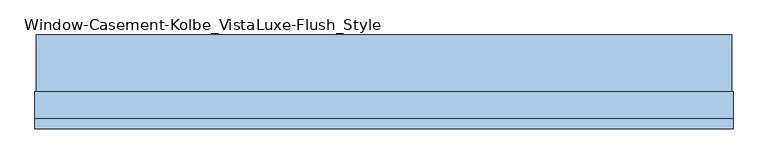
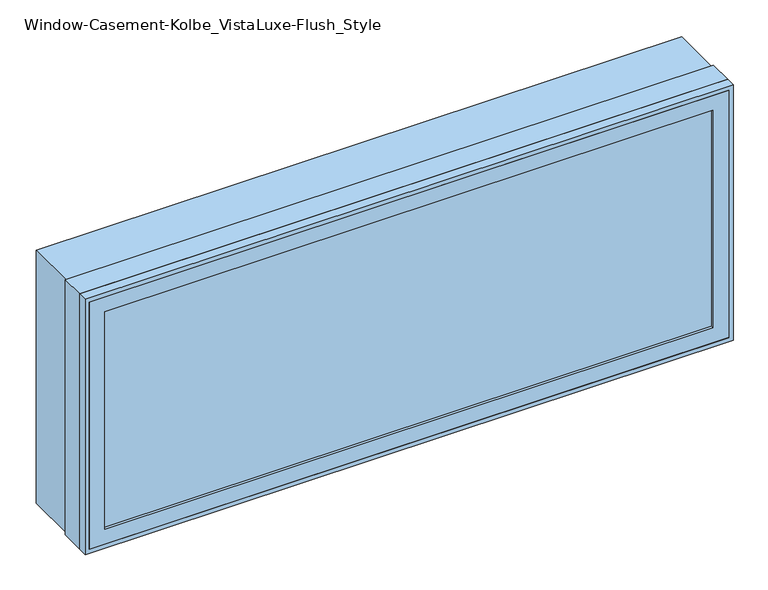
"""IFC4 building model written with IfcOpenShell, lengths in millimetres: window geometry, Window-Casement-Kolbe_VistaLuxe-Flush_Style."""

from ifc_helpers import new_model, si_unit, frame, origin, place, context, project, spatial, polyline, outline, extrude, faceted_brep, source, transform, mapped, element, save


def window_casement_kolbe_vistaluxe_flush_style_9f1340a3(model_context):
    return source(origin(), model_context, "Body", "SolidModel", [
        faceted_brep([(-863.6696599, -127.72898, 970.676875), (-863.6696599, -135.66648, 970.676875), (852.5765901, -135.66648, 970.676875), (852.5765901, -127.72898, 970.676875), (-879.5446599, -105.47858, 954.801875), (-879.5446599, -127.72898, 954.801875), (868.4515901, -127.72898, 954.801875), (868.4515901, -105.47858, 954.801875), (-863.6696599, -86.45398, 970.676875), (-863.6696599, -105.47858, 970.676875), (852.5765901, -105.47858, 970.676875), (852.5765901, -86.45398, 970.676875), (-908.1196599, -135.66648, 926.226875), (-908.1196599, -86.45398, 926.226875), (897.0265901, -86.45398, 926.226875), (897.0265901, -135.66648, 926.226875), (852.5765901, -135.66648, 1620.123125), (852.5765901, -127.72898, 1620.123125), (868.4515901, -127.72898, 1635.998125), (868.4515901, -105.47858, 1635.998125), (852.5765901, -105.47858, 1620.123125), (852.5765901, -86.45398, 1620.123125), (897.0265901, -86.45398, 1664.573125), (897.0265901, -135.66648, 1664.573125), (-863.6696599, -135.66648, 1620.123125), (-863.6696599, -127.72898, 1620.123125), (-879.5446599, -127.72898, 1635.998125), (-879.5446599, -105.47858, 1635.998125), (-863.6696599, -105.47858, 1620.123125), (-863.6696599, -86.45398, 1620.123125), (-908.1196599, -86.45398, 1664.573125), (-908.1196599, -135.66648, 1664.573125)], [[[0, 1, 2, 3]], [[4, 5, 6, 7]], [[8, 9, 10, 11]], [[12, 13, 14, 15]], [[3, 2, 16, 17]], [[7, 6, 18, 19]], [[11, 10, 20, 21]], [[15, 14, 22, 23]], [[17, 16, 24, 25]], [[19, 18, 26, 27]], [[21, 20, 28, 29]], [[23, 22, 30, 31]], [[25, 24, 1, 0]], [[5, 26, 18, 6], [3, 17, 25, 0]], [[27, 26, 5, 4]], [[7, 19, 27, 4], [9, 28, 20, 10]], [[29, 28, 9, 8]], [[13, 30, 22, 14], [11, 21, 29, 8]], [[31, 30, 13, 12]], [[15, 23, 31, 12], [1, 24, 16, 2]]]),
        extrude(outline(polyline([(1672.8186, 905.2720651), (1672.8186, -916.3651349), (917.9814, -916.3651349), (917.9814, 905.2720651), (1672.8186, 905.2720651)]), holes=[polyline([(936.545625, 886.7078401), (936.545625, -897.8009099), (1654.254375, -897.8009099), (1654.254375, 886.7078401), (936.545625, 886.7078401)])]), frame((0.0, -38.8747, 0.0), z_axis=(0.0, 1.0, 0.0), x_axis=(0.0, 0.0, 1.0)), (0.0, 0.0, 1.0), 148.4122),
        extrude(outline(polyline([(1676.4, -919.9465349), (914.4, -919.9465349), (914.4, 908.8534651), (1676.4, 908.8534651), (1676.4, -919.9465349)]), holes=[polyline([(1664.573125, 897.0265901), (926.226875, 897.0265901), (926.226875, -908.1196599), (1664.573125, -908.1196599), (1664.573125, 897.0265901)])]), frame((0.0, -136.4615, 0.0), z_axis=(0.0, 1.0, 0.0), x_axis=(0.0, 0.0, 1.0)), (0.0, 0.0, 1.0), 26.924),
        faceted_brep([(908.8534651, -38.8747, 914.4), (908.8534651, -109.5375, 914.4), (-919.9465349, -109.5375, 914.4), (-919.9465349, -38.8747, 914.4), (886.7078401, -86.45525, 936.545625), (886.7078401, -38.8747, 936.545625), (-897.8009099, -38.8747, 936.545625), (-897.8009099, -86.45525, 936.545625), (897.0265901, -109.5375, 926.226875), (897.0265901, -86.45525, 926.226875), (-908.1196599, -86.45525, 926.226875), (-908.1196599, -109.5375, 926.226875), (-919.9465349, -109.5375, 1676.4), (-919.9465349, -38.8747, 1676.4), (-897.8009099, -38.8747, 1654.254375), (-897.8009099, -86.45525, 1654.254375), (-908.1196599, -86.45525, 1664.573125), (-908.1196599, -109.5375, 1664.573125), (908.8534651, -109.5375, 1676.4), (908.8534651, -38.8747, 1676.4), (886.7078401, -38.8747, 1654.254375), (886.7078401, -86.45525, 1654.254375), (897.0265901, -86.45525, 1664.573125), (897.0265901, -109.5375, 1664.573125)], [[[0, 1, 2, 3]], [[4, 5, 6, 7]], [[8, 9, 10, 11]], [[3, 2, 12, 13]], [[7, 6, 14, 15]], [[11, 10, 16, 17]], [[13, 12, 18, 19]], [[15, 14, 20, 21]], [[17, 16, 22, 23]], [[19, 18, 1, 0]], [[3, 13, 19, 0], [5, 20, 14, 6]], [[21, 20, 5, 4]], [[9, 22, 16, 10], [7, 15, 21, 4]], [[23, 22, 9, 8]], [[1, 18, 12, 2], [11, 17, 23, 8]]]),
        extrude(outline(polyline([(865.2765901, -108.65358), (-876.3696599, -108.65358), (-876.3696599, -105.47858), (865.2765901, -105.47858), (865.2765901, -108.65358)])), frame((0.0, 0.0, 957.976875), z_axis=(0.0, 0.0, 1.0), x_axis=(1.0, 0.0, 0.0)), (0.0, 0.0, 1.0), 674.84625),
        extrude(outline(polyline([(865.2765901, -124.55398), (865.2765901, -127.72898), (-876.3696599, -127.72898), (-876.3696599, -124.55398), (865.2765901, -124.55398)])), frame((0.0, 0.0, 957.976875), z_axis=(0.0, 0.0, 1.0), x_axis=(1.0, 0.0, 0.0)), (0.0, 0.0, 1.0), 674.84625),
        extrude(outline(polyline([(936.545625, 886.7078401), (1654.254375, 886.7078401), (1654.254375, -897.8009099), (936.545625, -897.8009099), (936.545625, 886.7078401)]), holes=[polyline([(954.801875, -879.5446599), (1635.998125, -879.5446599), (1635.998125, 868.4515901), (954.801875, 868.4515901), (954.801875, -879.5446599)])]), frame((0.0, -86.45525, 0.0), z_axis=(0.0, 1.0, 0.0), x_axis=(0.0, 0.0, 1.0)), (0.0, 0.0, 1.0), 50.8),
    ])


if __name__ == "__main__":
    model = new_model("IFC4")
    model_context = context("Model", 3, world=origin())
    ifc_project = project(units=[si_unit("LENGTHUNIT", "METRE", prefix="MILLI")], contexts=[model_context])
    site = spatial("IfcSite", under=ifc_project)
    building = spatial("IfcBuilding", under=site)
    placement = place(None, origin())
    window_casement_kolbe_vistaluxe_flush_style_shape = window_casement_kolbe_vistaluxe_flush_style_9f1340a3(model_context)
    element("IfcWindow", 1, ObjectType="Window-Casement-Kolbe_VistaLuxe-Flush_Style", at=placement, inside=building, context=model_context, shape_type="MappedRepresentation", body=[
        mapped(window_casement_kolbe_vistaluxe_flush_style_shape, transform((0.0, 0.0, 0.0), x_axis=(1.0, 0.0, 0.0), y_axis=(0.0, 1.0, 0.0), z_axis=(0.0, 0.0, 1.0))),
    ])
    save(model, "model.ifc")
